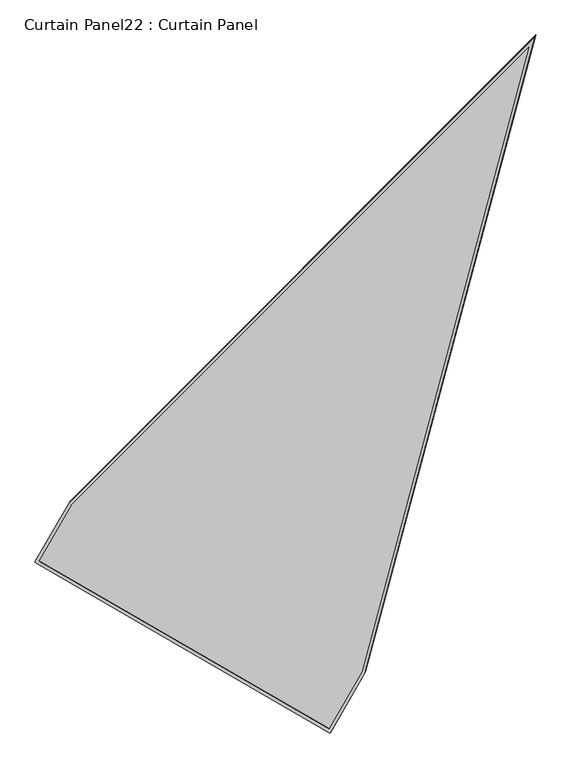
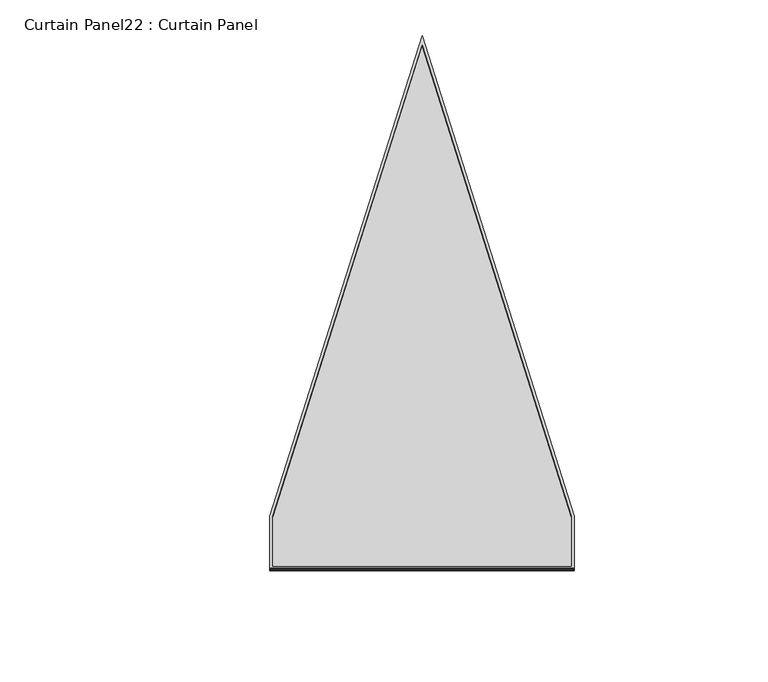
"""IFC4 building model written with IfcOpenShell, lengths in millimetres: plate geometry, Curtain Panel22 : Curtain Panel."""

from ifc_helpers import new_model, si_unit, frame, origin, place, context, project, spatial, polyline, outline, extrude, source, transform, mapped, element, save


def curtain_panel22_curtain_panel_f1aa4763(model_context):
    return source(origin(), model_context, "Body", "SweptSolid", [
        extrude(outline(polyline([(847.4221258, -3697.0151256), (-1e-07, -363.4143396), (0.0, 0.0), (1694.8139168, 0.0), (1694.8139168, -363.533671), (847.4221258, -3697.0151256)]), holes=[polyline([(1678.1511189, -16.6627979), (16.6627979, -16.6627979), (16.6627978, -361.3295982), (847.4221258, -3629.3820413), (1678.1511189, -361.4489295), (1678.1511189, -16.6627979)])]), frame((11239.7797883, -2171.6934838, 1929.6371753), z_axis=(-0.15807291198690548, -0.27379031486167854, 0.9487106081329139), x_axis=(-0.8660254037844346, 0.5000000000000071, 0.0)), (0.0, 0.0, 1.0), 4.8321201),
        extrude(outline(polyline([(847.4221258, -3697.0151257), (0.0, -363.4143396), (0.0, 0.0), (1694.8139168, 0.0), (1694.8139168, -363.5336711), (847.4221258, -3697.0151257)]), holes=[polyline([(1684.5011189, -10.3127979), (10.3127979, -10.3127979), (10.3127978, -362.1240691), (847.4221258, -3655.1562293), (1684.5011189, -362.2434005), (1684.5011189, -10.3127979)])]), frame((11242.5660819, -2166.8674818, 1912.9145994), z_axis=(-0.1580729119869105, -0.2737903148616874, 0.9487106081329104), x_axis=(-0.8660254037844345, 0.5000000000000073, 0.0)), (0.0, 0.0, 1.0), 4.824831),
        extrude(outline(polyline([(12.7000001, 0.0), (1707.5139168, 0.0), (1707.5139169, -363.533671), (860.1221259, -3697.0151257), (12.7, -363.4143396), (12.7000001, 0.0)])), frame((11252.8019295, -2174.5384738, 1917.4919677), z_axis=(-0.1580729119869049, -0.27379031486167804, 0.948710608132914), x_axis=(-0.8660254037844348, 0.5000000000000067, 0.0)), (0.0, 0.0, 1.0), 12.8018043),
    ])


if __name__ == "__main__":
    model = new_model("IFC4")
    model_context = context("Model", 3, world=origin())
    ifc_project = project(units=[si_unit("LENGTHUNIT", "METRE", prefix="MILLI")], contexts=[model_context])
    site = spatial("IfcSite", under=ifc_project)
    building = spatial("IfcBuilding", under=site)
    placement = place(None, origin())
    curtain_panel22_curtain_panel_shape = curtain_panel22_curtain_panel_f1aa4763(model_context)
    element("IfcPlate", 1, ObjectType="Curtain Panel22 : Curtain Panel", at=placement, inside=building, context=model_context, shape_type="MappedRepresentation", body=[
        mapped(curtain_panel22_curtain_panel_shape, transform((0.0, 0.0, 0.0), x_axis=(1.0, 0.0, 0.0), y_axis=(0.0, 1.0, 0.0), z_axis=(0.0, 0.0, 1.0))),
    ])
    save(model, "model.ifc")
